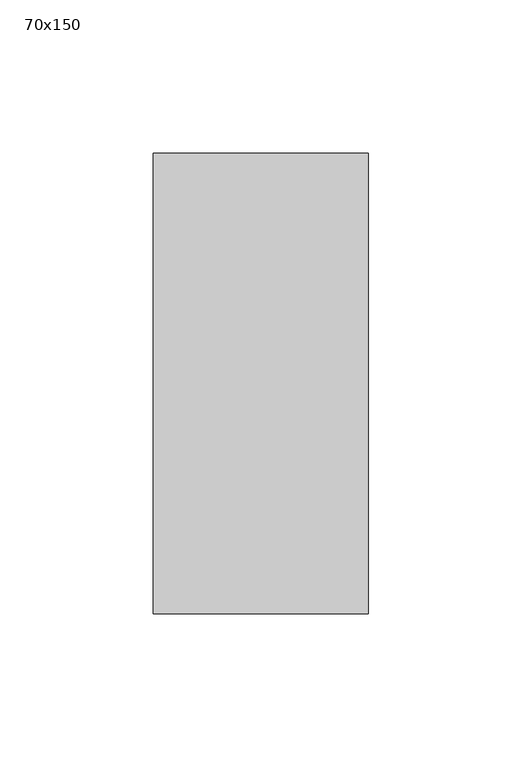
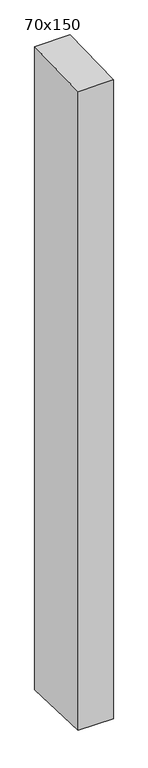
"""IFC4 building model written with IfcOpenShell, lengths in millimetres: member geometry, 70x150."""

from ifc_helpers import new_model, si_unit, frame, origin, place, context, project, spatial, polyline, outline, extrude, source, transform, mapped, element, save


def member_70x150_343e9db6(model_context):
    return source(origin(), model_context, "Body", "SweptSolid", [
        extrude(outline(polyline([(-75.0, -1.9083489), (75.0, 1.9083489), (75.0, -1353.0846313), (-75.0, -1347.3203547), (-75.0, -1.9083489)])), frame((-35.0, 0.0, 0.0), z_axis=(1.0, 0.0, 0.0), x_axis=(0.0, 1.0, 0.0)), (0.0, 0.0, 1.0), 70.0),
    ])


if __name__ == "__main__":
    model = new_model("IFC4")
    model_context = context("Model", 3, world=origin())
    ifc_project = project(units=[si_unit("LENGTHUNIT", "METRE", prefix="MILLI")], contexts=[model_context])
    site = spatial("IfcSite", under=ifc_project)
    building = spatial("IfcBuilding", under=site)
    placement = place(None, origin())
    member_70x150_shape = member_70x150_343e9db6(model_context)
    element("IfcMember", 1, ObjectType="70x150", at=placement, inside=building, context=model_context, shape_type="MappedRepresentation", body=[
        mapped(member_70x150_shape, transform((0.0, 0.0, 0.0), x_axis=(1.0, 0.0, 0.0), y_axis=(0.0, 1.0, 0.0), z_axis=(0.0, 0.0, 1.0))),
    ])
    save(model, "model.ifc")
